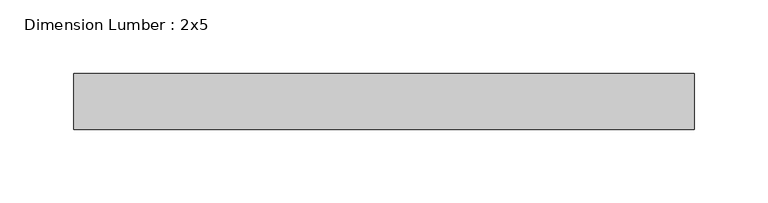
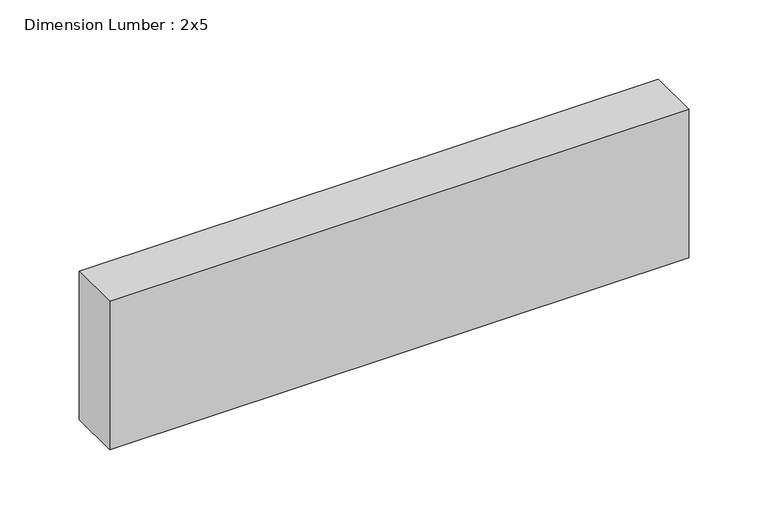
"""IFC4 building model written with IfcOpenShell, lengths in millimetres: beam geometry, Dimension Lumber : 2x5."""

import ifcopenshell
import ifcopenshell.guid

model = None  # the IFC model being written
_history = None  # IfcOwnerHistory: only IFC2X3 demands one
_inside = {}  # id of a spatial element -> (the spatial element, [elements in it])
_under = {}  # id of a project, library or spatial element -> (it, [spatial elements below it])
_declared = {}  # id of a project -> (the project, [libraries it declares])
_typed = {}  # id of a type object -> (the type object, [elements of that type])
_made_of = {}  # id of a material, layer set ... -> (it, [elements and type objects made of it])


def new_model(schema):
    """Start an empty IFC model of exactly this schema.

    Asked for "IFC4X3", IfcOpenShell would pick the latest addendum, in which some entities
    have other attributes; the version numbers below select the first issue.
    IFC2X3 requires an IfcOwnerHistory on every rooted entity: one is made here for all.
    """
    global model, _history
    if schema == "IFC4X3":
        model = ifcopenshell.file(schema_version=(4, 3, 0, 0))
    else:
        model = ifcopenshell.file(schema=schema)
    _inside.clear()
    _under.clear()
    _declared.clear()
    _typed.clear()
    _made_of.clear()
    _history = None
    if model.schema == "IFC2X3":
        org = make("IfcOrganization", Name="unknown")
        user = make(
            "IfcPersonAndOrganization",
            ThePerson=make("IfcPerson", FamilyName="unknown"),
            TheOrganization=org,
        )
        app = make(
            "IfcApplication",
            ApplicationDeveloper=org,
            Version="unknown",
            ApplicationFullName="unknown",
            ApplicationIdentifier="unknown",
        )
        _history = make(
            "IfcOwnerHistory",
            OwningUser=user,
            OwningApplication=app,
            ChangeAction="ADDED",
            CreationDate=0,
        )
    return model


def make(cls, **values):
    """One entity of the class cls with the attributes given. An attribute that is None is left unset."""
    return model.create_entity(
        cls, **{name: value for name, value in values.items() if value is not None}
    )


def rooted(cls, **values):
    """An entity with a GlobalId (a new one), such as an element, a storey or a relation."""
    return make(cls, GlobalId=ifcopenshell.guid.new(), OwnerHistory=_history, **values)


def si_unit(unit_type, name, prefix=None):
    """IfcSIUnit, for example si_unit("LENGTHUNIT", "METRE", prefix="MILLI")."""
    return make("IfcSIUnit", UnitType=unit_type, Prefix=prefix, Name=name)


def assignment(units):
    """IfcUnitAssignment: the units of a project."""
    return None if units is None else make("IfcUnitAssignment", Units=units)


def point(xyz):
    """IfcCartesianPoint."""
    return None if xyz is None else make("IfcCartesianPoint", Coordinates=xyz)


def direction(xyz):
    """IfcDirection."""
    return None if xyz is None else make("IfcDirection", DirectionRatios=xyz)


def frame(location, z_axis=None, x_axis=None):
    """IfcAxis2Placement3D, a coordinate frame: its origin and axes. An axis left out is left unset."""
    return make(
        "IfcAxis2Placement3D",
        Location=point(location),
        Axis=direction(z_axis),
        RefDirection=direction(x_axis),
    )


def origin():
    """The frame at (0, 0, 0) with its axes left unset."""
    return frame((0.0, 0.0, 0.0))


def place(relative_to, where):
    """IfcLocalPlacement: puts the frame where relative to a parent placement (None: the world)."""
    return make(
        "IfcLocalPlacement", PlacementRelTo=relative_to, RelativePlacement=where
    )


def context(
    kind, dimensions, precision=None, world=None, true_north=None, identifier=None
):
    """IfcGeometricRepresentationContext, for example the 3D "Model" context."""
    return make(
        "IfcGeometricRepresentationContext",
        ContextIdentifier=identifier,
        ContextType=kind,
        CoordinateSpaceDimension=dimensions,
        Precision=precision,
        WorldCoordinateSystem=world,
        TrueNorth=true_north,
    )


def project(units=None, contexts=None):
    """IfcProject with its units and contexts."""
    return rooted(
        "IfcProject",
        Name="project",
        RepresentationContexts=contexts,
        UnitsInContext=assignment(units),
    )


def spatial(cls, under=None, at=None, **own):
    """A site, building, storey or space (cls), placed at a placement, below another one or the project."""
    s = rooted(cls, ObjectPlacement=at, **own)
    if under is not None:
        _under.setdefault(under.id(), (under, []))[1].append(s)
    return s


def polyline(points):
    """IfcPolyline through the points."""
    return make("IfcPolyline", Points=[point(p) for p in points])


def outline(outer, holes=None, kind="AREA"):
    """IfcArbitraryClosedProfileDef: a profile drawn as a closed curve; with holes, ...WithVoids."""
    if holes is None:
        return make("IfcArbitraryClosedProfileDef", ProfileType=kind, OuterCurve=outer)
    return make(
        "IfcArbitraryProfileDefWithVoids",
        ProfileType=kind,
        OuterCurve=outer,
        InnerCurves=holes,
    )


def extrude(swept, where, along, depth):
    """IfcExtrudedAreaSolid: the profile swept, set in the frame where, extruded along a direction by depth."""
    return make(
        "IfcExtrudedAreaSolid",
        SweptArea=swept,
        Position=where,
        ExtrudedDirection=direction(along),
        Depth=depth,
    )


def shape(context_of_items, identifier, shape_type, items):
    """IfcShapeRepresentation: the items that make up one representation, for example the "Body"."""
    return make(
        "IfcShapeRepresentation",
        ContextOfItems=context_of_items,
        RepresentationIdentifier=identifier,
        RepresentationType=shape_type,
        Items=items,
    )


def source(mapping_origin, context_of_items, identifier, shape_type, items):
    """IfcRepresentationMap: a shape defined once, which mapped items show again and again."""
    return make(
        "IfcRepresentationMap",
        MappingOrigin=mapping_origin,
        MappedRepresentation=shape(context_of_items, identifier, shape_type, items),
    )


def transform(
    local_origin,
    x_axis=None,
    y_axis=None,
    z_axis=None,
    scale=None,
    scale2=None,
    scale3=None,
    uniform=True,
):
    """IfcCartesianTransformationOperator3D, or its non-uniform kind. x_axis, y_axis, z_axis: its Axis1, 2, 3."""
    if uniform:
        return make(
            "IfcCartesianTransformationOperator3D",
            Axis1=direction(x_axis),
            Axis2=direction(y_axis),
            LocalOrigin=point(local_origin),
            Scale=scale,
            Axis3=direction(z_axis),
        )
    return make(
        "IfcCartesianTransformationOperator3DnonUniform",
        Axis1=direction(x_axis),
        Axis2=direction(y_axis),
        LocalOrigin=point(local_origin),
        Scale=scale,
        Axis3=direction(z_axis),
        Scale2=scale2,
        Scale3=scale3,
    )


def mapped(mapping_source, mapping_target):
    """IfcMappedItem: shows the shape of a source again, moved by a transform."""
    return make(
        "IfcMappedItem", MappingSource=mapping_source, MappingTarget=mapping_target
    )


def made_of(thing, what):
    """Note that an element or type object is made of a material, layer set ...; save() writes the relation."""
    if what is not None:
        _made_of.setdefault(what.id(), (what, []))[1].append(thing)
    return thing


def element(
    cls,
    number,
    at=None,
    inside=None,
    cuts=None,
    type_object=None,
    material=None,
    context=None,
    identifier="Body",
    shape_type=None,
    held_by="IfcProductDefinitionShape",
    body=None,
    shapes=None,
    **own,
):
    """One element of the class cls, such as IfcWall. Its Tag is "e" and its number.

    at: its placement. inside: the storey or other place that contains it. cuts: it is an
    opening in that element (IfcRelVoidsElement). A single representation is given by context,
    identifier, shape_type and body (its items); several are given by shapes. held_by: the class
    of the entity that holds the representations. save() writes the other relations.
    """
    e = rooted(cls, Tag="e%d" % number, ObjectPlacement=at, **own)
    if body is not None:
        shapes = [shape(context, identifier, shape_type, body)]
    if shapes is not None:
        e.Representation = make(held_by, Representations=shapes)
    if inside is not None:
        _inside.setdefault(inside.id(), (inside, []))[1].append(e)
    if cuts is not None:
        rooted(
            "IfcRelVoidsElement", RelatingBuildingElement=cuts, RelatedOpeningElement=e
        )
    if type_object is not None:
        _typed.setdefault(type_object.id(), (type_object, []))[1].append(e)
    return made_of(e, material)


def aggregate(whole, parts):
    """IfcRelAggregates: a whole, such as a stair, and the parts it consists of."""
    return rooted("IfcRelAggregates", RelatingObject=whole, RelatedObjects=parts)


def save(model, path):
    """Write the relations noted so far, then the file.

    IfcRelAggregates (storeys below a building ...), IfcRelContainedInSpatialStructure (elements
    in a storey), IfcRelDefinesByType, IfcRelAssociatesMaterial and IfcRelDeclares: one each for
    every whole, place, type object, material and project.
    """
    for whole, parts in _under.values():
        aggregate(whole, parts)
    for where, things in _inside.values():
        rooted(
            "IfcRelContainedInSpatialStructure",
            RelatedElements=things,
            RelatingStructure=where,
        )
    for kind, things in _typed.values():
        rooted("IfcRelDefinesByType", RelatedObjects=things, RelatingType=kind)
    for what, things in _made_of.values():
        rooted("IfcRelAssociatesMaterial", RelatedObjects=things, RelatingMaterial=what)
    for by, libraries in _declared.values():
        rooted("IfcRelDeclares", RelatingContext=by, RelatedDefinitions=libraries)
    model.write(path)


def dimension_lumber_2x5_a6e98538(model_context):
    return source(origin(), model_context, "Body", "SweptSolid", [
        extrude(outline(polyline([(212.9177189, 19.05), (212.9177189, -19.05), (-208.828439, -19.05), (-208.828439, 19.05), (212.9177189, 19.05)])), frame((0.0, 0.0, -57.15), z_axis=(0.0, 0.0, 1.0), x_axis=(1.0, 0.0, 0.0)), (0.0, 0.0, 1.0), 114.3),
    ])


if __name__ == "__main__":
    model = new_model("IFC4")
    model_context = context("Model", 3, world=origin())
    ifc_project = project(units=[si_unit("LENGTHUNIT", "METRE", prefix="MILLI")], contexts=[model_context])
    site = spatial("IfcSite", under=ifc_project)
    building = spatial("IfcBuilding", under=site)
    placement = place(None, origin())
    dimension_lumber_2x5_shape = dimension_lumber_2x5_a6e98538(model_context)
    element("IfcBeam", 1, ObjectType="Dimension Lumber : 2x5", at=placement, inside=building, context=model_context, shape_type="MappedRepresentation", body=[
        mapped(dimension_lumber_2x5_shape, transform((0.0, 0.0, 0.0), x_axis=(1.0, 0.0, 0.0), y_axis=(0.0, 1.0, 0.0), z_axis=(0.0, 0.0, 1.0))),
    ])
    save(model, "model.ifc")
